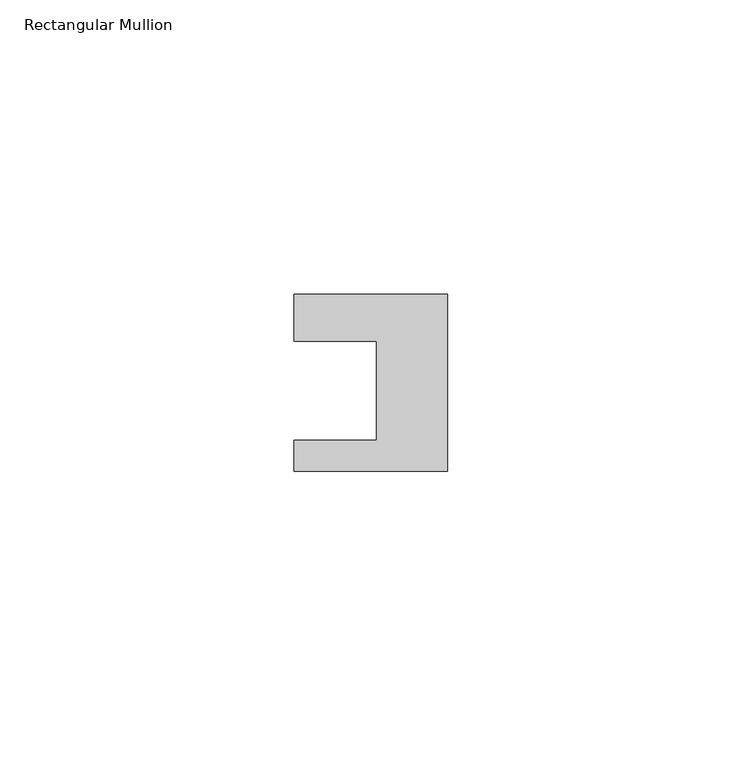
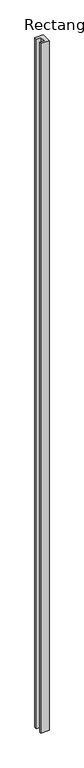
"""IFC4 building model written with IfcOpenShell, lengths in millimetres: member geometry, Rectangular Mullion."""

from ifc_helpers import new_model, si_unit, frame, origin, place, context, project, spatial, polyline, outline, extrude, source, transform, mapped, element, save


def rectangular_mullion_9b20f938(model_context):
    return source(origin(), model_context, "Body", "SweptSolid", [
        extrude(outline(polyline([(-26.0, 0.001), (-26.0, 7.94), (0.0, 7.94), (0.0, -22.06), (-26.0, -22.06), (-26.0, -16.8), (-12.0, -16.8), (-12.0, 0.001), (-26.0, 0.001)])), frame((0.0, 0.0, -2239.0), z_axis=(0.0, 0.0, 1.0), x_axis=(1.0, 0.0, 0.0)), (0.0, 0.0, 1.0), 2239.0),
    ])


if __name__ == "__main__":
    model = new_model("IFC4")
    model_context = context("Model", 3, world=origin())
    ifc_project = project(units=[si_unit("LENGTHUNIT", "METRE", prefix="MILLI")], contexts=[model_context])
    site = spatial("IfcSite", under=ifc_project)
    building = spatial("IfcBuilding", under=site)
    placement = place(None, origin())
    rectangular_mullion_shape = rectangular_mullion_9b20f938(model_context)
    element("IfcMember", 1, ObjectType="Rectangular Mullion", at=placement, inside=building, context=model_context, shape_type="MappedRepresentation", body=[
        mapped(rectangular_mullion_shape, transform((0.0, 0.0, 0.0), x_axis=(1.0, 0.0, 0.0), y_axis=(0.0, 1.0, 0.0), z_axis=(0.0, 0.0, 1.0))),
    ])
    save(model, "model.ifc")
